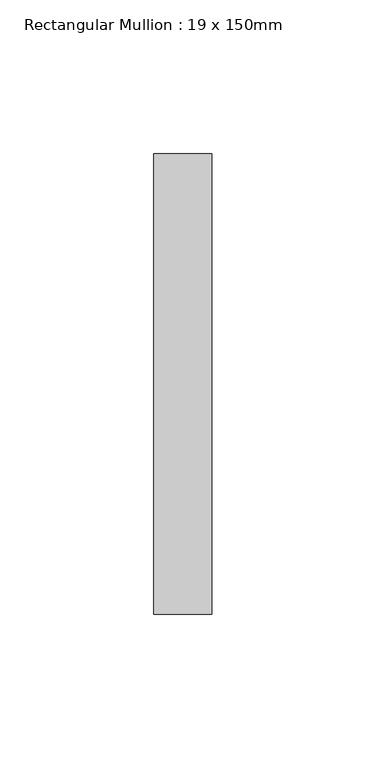
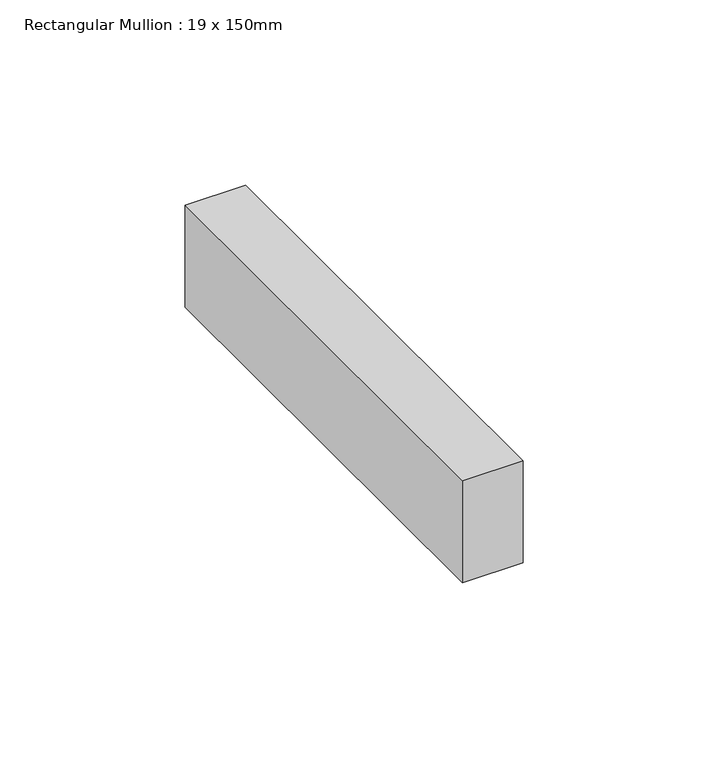
"""IFC4 building model written with IfcOpenShell, lengths in millimetres: member geometry, Rectangular Mullion : 19 x 150mm."""

from ifc_helpers import new_model, si_unit, frame, origin, place, context, project, spatial, polyline, outline, extrude, source, transform, mapped, element, save


def rectangular_mullion_19_x_150mm_8780f8de(model_context):
    return source(origin(), model_context, "Body", "SweptSolid", [
        extrude(outline(polyline([(0.0, -25.0), (0.0, -175.0), (-19.0, -175.0), (-19.0, -25.0), (0.0, -25.0)])), frame((0.0, 0.0, -33.6783449), z_axis=(0.0, 0.0, 1.0), x_axis=(1.0, 0.0, 0.0)), (0.0, 0.0, 1.0), 33.6783449),
    ])


if __name__ == "__main__":
    model = new_model("IFC4")
    model_context = context("Model", 3, world=origin())
    ifc_project = project(units=[si_unit("LENGTHUNIT", "METRE", prefix="MILLI")], contexts=[model_context])
    site = spatial("IfcSite", under=ifc_project)
    building = spatial("IfcBuilding", under=site)
    placement = place(None, origin())
    rectangular_mullion_19_x_150mm_shape = rectangular_mullion_19_x_150mm_8780f8de(model_context)
    element("IfcMember", 1, ObjectType="Rectangular Mullion : 19 x 150mm", at=placement, inside=building, context=model_context, shape_type="MappedRepresentation", body=[
        mapped(rectangular_mullion_19_x_150mm_shape, transform((0.0, 0.0, 0.0), x_axis=(1.0, 0.0, 0.0), y_axis=(0.0, 1.0, 0.0), z_axis=(0.0, 0.0, 1.0))),
    ])
    save(model, "model.ifc")
